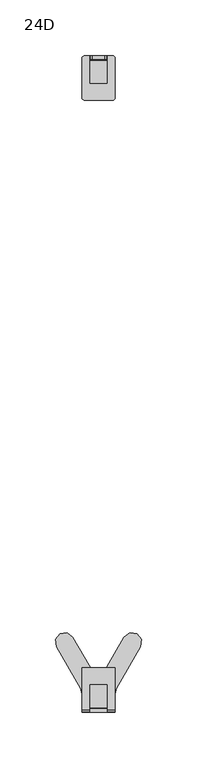
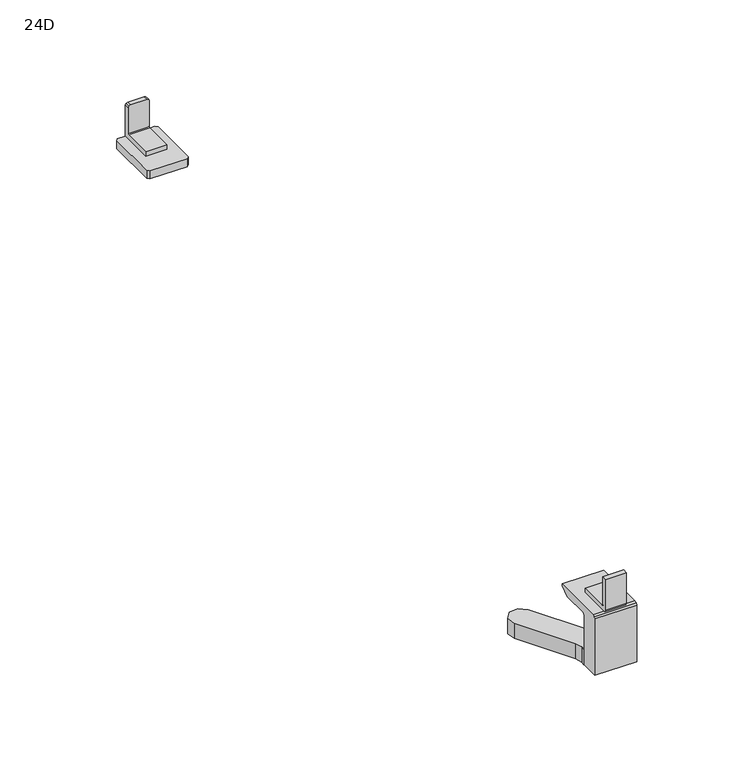
"""IFC4 building model written with IfcOpenShell, lengths in millimetres: furniture geometry, 24D."""

from ifc_helpers import new_model, si_unit, point, frame, frame_2d, origin, place, context, project, spatial, polyline, circle_curve, trimmed, segment, composite_curve, outline, extrude, source, transform, mapped, element, save
from ifc_brep_helpers import plane_surface, revolved_surface, advanced_brep


def furniture_24d_a401f9f4(model_context):
    return source(origin(), model_context, "Body", "SolidModel", [
        advanced_brep(
        [(-6.9606602, -32.5625008, 754.710689), (-6.9606602, -35.9135254, 754.710689), (-5.9000884, -35.9135254, 755.149979), (-5.9000884, -32.5625008, 755.149979), (-7.4000003, -32.5625008, 753.6499079), (-7.4000003, -35.9135254, 753.6499079), (7.1406604, -35.9135254, 754.710689), (7.1406604, -32.5625008, 754.710689), (6.08, -32.5625008, 755.149979), (6.08, -35.9135254, 755.149979), (7.5799998, -35.9135254, 753.6499979), (7.5799998, -32.5625008, 753.6499979), (7.5799998, -35.9135254, 734.0534721), (7.5799998, -36.6989859, 733.5999863), (7.5799998, -57.4625002, 733.5999863), (7.5799998, -57.4625002, 730.2499727), (7.5799998, -32.5625008, 730.2499727), (-7.4000003, -57.4625002, 730.2499727), (-7.4000003, -57.4625002, 733.5999863), (-7.4000003, -36.6989859, 733.5999863), (-7.4000003, -35.9135254, 734.0534721), (-7.4000003, -32.5625008, 730.2499727), (13.4299999, -32.5625008, 730.2499727), (13.4299999, -32.5625008, 724.2499756), (-13.0699996, -32.5625008, 724.2499756), (-13.0699996, -32.5625008, 730.2499727), (14.9300003, -34.0625, 730.2499727), (-14.57, -34.0625, 730.2499727), (-14.57, -71.0625013, 730.2499727), (-13.0699996, -72.5625006, 730.2499727), (13.4299999, -72.5625006, 730.2499727), (14.9300003, -71.0625013, 730.2499727), (14.9300003, -34.0625, 724.2499756), (14.9300003, -71.0625013, 724.2499756), (13.4299999, -72.5625006, 724.2499756), (-13.0699996, -72.5625006, 724.2499756), (-14.57, -71.0625013, 724.2499756), (-14.57, -34.0625, 724.2499756)],
        [
            (0, 1),
            (1, 2),
            (2, 3),
            (3, 0),
            (0, 4),
            (4, 5),
            (5, 1),
            (6, 7),
            (7, 8),
            (8, 9),
            (9, 6),
            (6, 10),
            (10, 11),
            (11, 7),
            (12, 13, circle_curve(frame((7.5799998, -36.5674825, 734.2791874), z_axis=(-1.0, 0.0, 0.0), x_axis=(0.0, 1.0, 0.0)), 0.6918145)),
            (13, 14),
            (14, 15),
            (15, 16),
            (16, 11),
            (10, 12),
            (17, 18),
            (18, 19),
            (19, 20, circle_curve(frame((-7.4000003, -36.5674825, 734.2791874), z_axis=(1.0, 0.0, 0.0), x_axis=(0.0, 1.0, 0.0)), 0.6918145)),
            (20, 5),
            (4, 21),
            (21, 17),
            (12, 20),
            (19, 13),
            (18, 14),
            (17, 15),
            (16, 22),
            (22, 23),
            (23, 24),
            (24, 25),
            (25, 21),
            (3, 8),
            (2, 9),
            (26, 22),
            (25, 27),
            (27, 28),
            (28, 29),
            (29, 30),
            (30, 31),
            (31, 26),
            (32, 33),
            (33, 34),
            (34, 35),
            (35, 36),
            (36, 37),
            (37, 24),
            (23, 32),
            (26, 32),
            (37, 27),
            (36, 28),
            (35, 29),
            (34, 30),
            (33, 31),
        ],
        [
            plane_surface(frame((-6.9606602, -35.9135254, 754.710689), z_axis=(-0.38267362805027766, 0.0, 0.9238835935305041), x_axis=(0.0, 1.0, 0.0))),
            plane_surface(frame((-7.7080692, -35.9135254, 752.9060793), z_axis=(-0.9238948934890746, 0.0, 0.38264634557880145), x_axis=(0.0, 1.0, 0.0))),
            plane_surface(frame((5.0008908, -35.9135254, 755.5969099), z_axis=(0.38264634557882155, 0.0, 0.9238948934890663), x_axis=(0.0, 1.0, 0.0))),
            plane_surface(frame((7.1406604, -35.9135254, 754.710689), z_axis=(0.9238835935305002, 0.0, 0.38267362805028726), x_axis=(0.0, 1.0, 0.0))),
            plane_surface(frame((7.5799998, -35.8756681, 734.2791874), z_axis=(1.0, 0.0, 0.0), x_axis=(0.0, 0.0, -1.0))),
            plane_surface(frame((-7.4000003, -35.8756681, 734.2791874), z_axis=(-1.0, 0.0, 0.0), x_axis=(0.0, 0.0, 1.0))),
            revolved_surface(polyline([(-7.4000003, -35.875668, 734.2791874), (7.579999800000001, -35.875668, 734.2791874)]), (-7.4000003, -36.5674825, 734.2791874), (-1.0, 0.0, 0.0)),
            plane_surface(frame((7.5799998, -36.6989859, 733.5999863), z_axis=(0.0, 0.0, 1.0), x_axis=(-1.0, 0.0, 0.0))),
            plane_surface(frame((7.5799998, -57.4625002, 733.5999863), z_axis=(0.0, -1.0, 0.0), x_axis=(-1.0, 0.0, 0.0))),
            plane_surface(frame((7.5799998, -32.5625008, 730.2499727), z_axis=(0.0, 1.0, 0.0), x_axis=(-1.0, 0.0, 0.0))),
            plane_surface(frame((7.5799998, -32.5625008, 755.149979), z_axis=(0.0, 0.0, 1.0), x_axis=(-1.0, 0.0, 0.0))),
            plane_surface(frame((7.5799998, -35.9135254, 755.149979), z_axis=(0.0, -1.0, 0.0), x_axis=(-1.0, 0.0, 0.0))),
            plane_surface(frame((13.4299999, -32.5625008, 730.2499727), z_axis=(0.0, 0.0, 1.0000000000000002), x_axis=(-0.7071070488190113, 0.7071065135539826, 0.0))),
            plane_surface(frame((13.4299999, -32.5625008, 724.2499756), z_axis=(0.0, 0.0, -1.0000000000000002), x_axis=(0.7071070488190113, -0.7071065135539826, 0.0))),
            plane_surface(frame((14.9300003, -34.0625, 730.2499727), z_axis=(0.7071065135539826, 0.7071070488190113, 0.0), x_axis=(0.0, 0.0, -1.0))),
            plane_surface(frame((-13.0699996, -32.5625008, 730.2499727), z_axis=(-0.7071065135539826, 0.7071070488190113, 0.0), x_axis=(0.0, 0.0, -1.0))),
            plane_surface(frame((-14.57, -34.0625, 730.2499727), z_axis=(-1.0, 0.0, 0.0), x_axis=(0.0, 0.0, -1.0))),
            plane_surface(frame((-14.57, -71.0625013, 730.2499727), z_axis=(-0.7071065135539826, -0.7071070488190113, 0.0), x_axis=(0.0, 0.0, -1.0))),
            plane_surface(frame((-13.0699996, -72.5625006, 730.2499727), z_axis=(0.0, -1.0, 0.0), x_axis=(0.0, 0.0, -1.0))),
            plane_surface(frame((13.4299999, -72.5625006, 730.2499727), z_axis=(0.7071065135539826, -0.7071070488190113, 0.0), x_axis=(0.0, 0.0, -1.0))),
            plane_surface(frame((14.9300003, -71.0625013, 730.2499727), z_axis=(1.0, 0.0, 0.0), x_axis=(0.0, 0.0, -1.0))),
        ],
        [
            (0, [[1, 2, 3, 4]]),
            (1, [[-1, 5, 6, 7]]),
            (2, [[8, 9, 10, 11]]),
            (3, [[-8, 12, 13, 14]]),
            (4, [[15, 16, 17, 18, 19, -13, 20]]),
            (5, [[21, 22, 23, 24, -6, 25, 26]]),
            (6, [[-15, 27, -23, 28]]),
            (7, [[-16, -28, -22, 29]]),
            (8, [[-17, -29, -21, 30]]),
            (9, [[-19, 31, 32, 33, 34, 35, -25, -5, -4, 36, -9, -14]]),
            (10, [[-36, -3, 37, -10]]),
            (11, [[-27, -20, -12, -11, -37, -2, -7, -24]]),
            (12, [[38, -31, -18, -30, -26, -35, 39, 40, 41, 42, 43, 44]]),
            (13, [[45, 46, 47, 48, 49, 50, -33, 51]]),
            (14, [[-38, 52, -51, -32]]),
            (15, [[-39, -34, -50, 53]]),
            (16, [[-40, -53, -49, 54]]),
            (17, [[-41, -54, -48, 55]]),
            (18, [[-42, -55, -47, 56]]),
            (19, [[-43, -56, -46, 57]]),
            (20, [[-44, -57, -45, -52]]),
        ],
    ),
        extrude(outline(polyline([(-16.0897462, -601.0801749), (-37.8312164, -563.4228441), (-38.6803697, -556.9728744), (-34.720001, -551.8116342), (-28.2700381, -550.9624854), (-23.1087843, -554.9228542), (-2.7480762, -590.1886158), (-1.1760604, -591.5077214), (1.1760604, -591.5077214), (2.7480762, -590.1886158), (23.1087843, -554.9228542), (28.2700381, -550.9624854), (34.720001, -551.8116342), (38.6803697, -556.9728744), (37.8312164, -563.4228441), (16.0897462, -601.0801749), (14.7500002, -606.0801604), (14.7500002, -609.0504369), (-14.7500002, -609.0504369), (-14.7500002, -606.0801604), (-16.0897462, -601.0801749)])), frame((0.0, 0.0, 685.75), z_axis=(0.0, 0.0, 1.0), x_axis=(1.0, 0.0, 0.0)), (0.0, 0.0, 1.0), 11.4125301),
        extrude(outline(polyline([(-620.5531868, 730.2499727), (-582.5532171, 730.2499727), (-582.5532171, 728.7499916), (-588.4281855, 724.2499756), (-608.0541314, 724.2499756), (-609.0504369, 723.8712923), (-609.3041278, 722.9999792), (-609.3041278, 685.75), (-622.5537008, 685.75), (-622.5537008, 728.2488376), (-621.9674174, 729.66418), (-620.5531868, 730.2499727)])), frame((-14.7500002, 0.0, 0.0), z_axis=(1.0, 0.0, 0.0), x_axis=(0.0, 1.0, 0.0)), (0.0, 0.0, 1.0), 29.5000003),
        extrude(outline(composite_curve([segment(polyline([(-619.2026438, 755.149979), (-619.2026438, 734.0998381)]), True, "CONTINUOUS"), segment(trimmed(circle_curve(frame_2d((-618.2934584, 734.6485011)), 1.0619083), [point((-619.2026438, 734.0998381))], [point((-618.4615829, 733.5999863))], True, "CARTESIAN"), True, "CONTINUOUS"), segment(polyline([(-618.4615829, 733.5999863), (-597.6532038, 733.5999863), (-597.6532038, 730.2499727), (-620.5538062, 730.2499727), (-621.9674701, 730.8371315), (-622.5537008, 732.2511805), (-622.5537008, 755.149979), (-619.2026438, 755.149979)]), True, "CONTINUOUS")], self_intersect=False)), frame((-7.4000003, 0.0, 0.0), z_axis=(1.0, 0.0, 0.0), x_axis=(0.0, 1.0, 0.0)), (0.0, 0.0, 1.0), 14.9800001),
    ])


if __name__ == "__main__":
    model = new_model("IFC4")
    model_context = context("Model", 3, world=origin())
    ifc_project = project(units=[si_unit("LENGTHUNIT", "METRE", prefix="MILLI")], contexts=[model_context])
    site = spatial("IfcSite", under=ifc_project)
    building = spatial("IfcBuilding", under=site)
    placement = place(None, origin())
    furniture_24d_shape = furniture_24d_a401f9f4(model_context)
    element("IfcFurniture", 1, ObjectType="24D", at=placement, inside=building, context=model_context, shape_type="MappedRepresentation", body=[
        mapped(furniture_24d_shape, transform((0.0, 0.0, 0.0), x_axis=(1.0, 0.0, 0.0), y_axis=(0.0, 1.0, 0.0), z_axis=(0.0, 0.0, 1.0))),
    ])
    save(model, "model.ifc")
